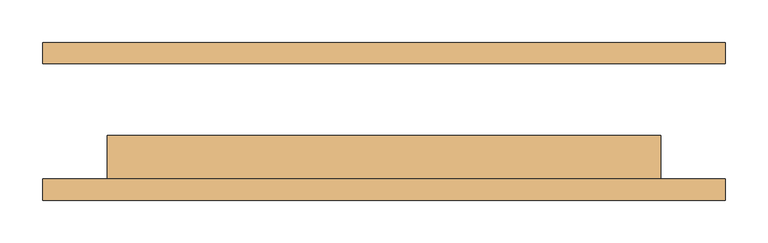
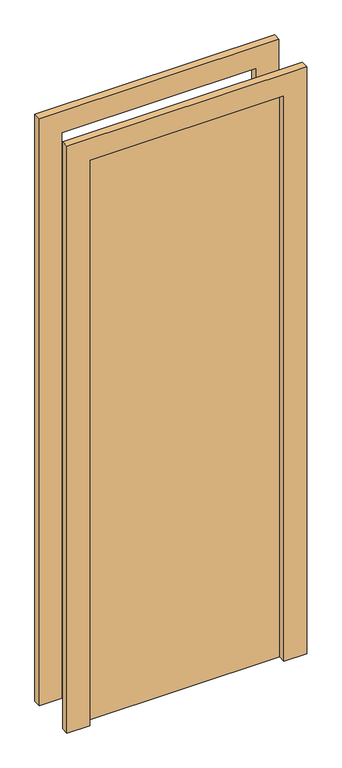
"""IFC4 building model written with IfcOpenShell, lengths in millimetres: door geometry."""

from ifc_helpers import new_model, si_unit, frame, origin, origin_with_axes, place, context, project, spatial, polyline, outline, extrude, source, transform, mapped, element, save


def door_2de34baf(model_context):
    return source(origin(), model_context, "Body", "SweptSolid", [
        extrude(outline(polyline([(2076.0, -401.0), (0.0, -401.0), (0.0, -325.0), (2000.0, -325.0), (2000.0, 325.0), (0.0, 325.0), (0.0, 401.0), (2076.0, 401.0), (2076.0, -401.0)])), frame((0.0, -92.75, 0.0), z_axis=(0.0, 1.0, 0.0), x_axis=(0.0, 0.0, 1.0)), (0.0, 0.0, 1.0), 25.0),
        extrude(outline(polyline([(2076.0, 401.0), (2076.0, -401.0), (0.0, -401.0), (0.0, -325.0), (2000.0, -325.0), (2000.0, 325.0), (0.0, 325.0), (0.0, 401.0), (2076.0, 401.0)])), frame((0.0, 67.75, 0.0), z_axis=(0.0, 1.0, 0.0), x_axis=(0.0, 0.0, 1.0)), (0.0, 0.0, 1.0), 25.0),
        extrude(outline(polyline([(325.0, -16.75), (325.0, -67.75), (-325.0, -67.75), (-325.0, -16.75), (325.0, -16.75)])), origin_with_axes(), (0.0, 0.0, 1.0), 2000.0),
    ])


if __name__ == "__main__":
    model = new_model("IFC4")
    model_context = context("Model", 3, world=origin())
    ifc_project = project(units=[si_unit("LENGTHUNIT", "METRE", prefix="MILLI")], contexts=[model_context])
    site = spatial("IfcSite", under=ifc_project)
    building = spatial("IfcBuilding", under=site)
    placement = place(None, origin())
    door_shape = door_2de34baf(model_context)
    element("IfcDoor", 1, at=placement, inside=building, context=model_context, shape_type="MappedRepresentation", body=[
        mapped(door_shape, transform((0.0, 0.0, 0.0), x_axis=(1.0, 0.0, 0.0), y_axis=(0.0, 1.0, 0.0), z_axis=(0.0, 0.0, 1.0))),
    ])
    save(model, "model.ifc")
